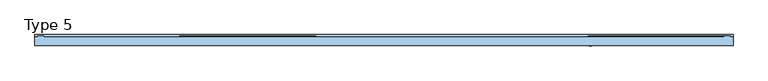
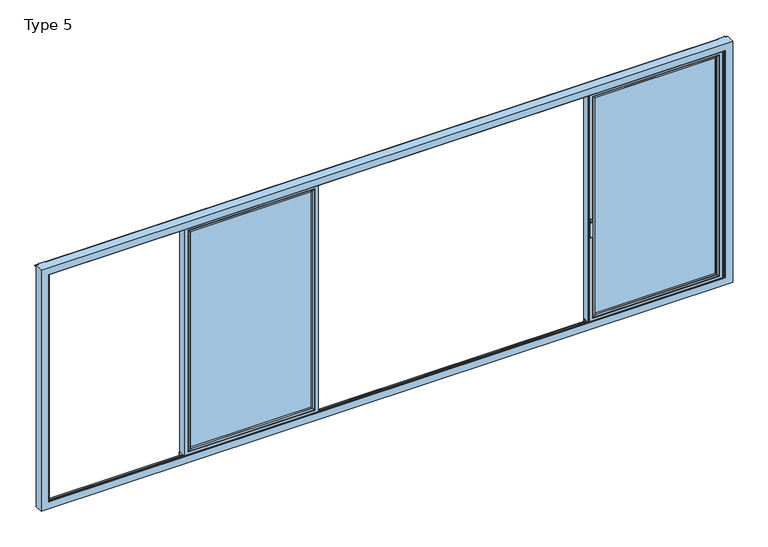
"""IFC4 building model written with IfcOpenShell, lengths in millimetres: window geometry, Type 5."""

from ifc_helpers import new_model, si_unit, point, frame, frame_2d, origin, place, context, project, spatial, polyline, circle_curve, ellipse_curve, trimmed, segment, composite_curve, outline, extrude, source, transform, mapped, element, save
from ifc_brep_helpers import plane_surface, cylinder_surface, extruded_surface, advanced_brep


def type_5_70b4fe9f(model_context):
    return source(origin(), model_context, "Body", "SolidModel", [
        advanced_brep(
        [(-637.1999604, -60.0, 2324.0), (-637.1999604, -60.0, 66.0), (-637.1999604, 20.0, 66.0), (-637.1999604, 20.0, 2324.0), (-1887.5999604, -60.0, 66.0), (-1887.5999604, 20.0, 66.0), (-1887.5999604, 20.0, 2324.0), (-1842.1003311, 20.0, 111.4996293), (-682.6995897, 20.0, 111.4996293), (-682.6995897, 20.0, 2278.5003707), (-1842.1003311, 20.0, 2278.5003707), (-1887.5999604, -60.0, 2324.0), (-669.1999604, -60.0, 98.0), (-1855.5999604, -60.0, 98.0), (-1855.5999604, -60.0, 2292.0), (-669.1999604, -60.0, 2292.0), (-669.1999604, 3.9999997, 2292.0), (-669.1999604, 3.9999997, 98.0), (-1855.5999604, 3.9999997, 98.0), (-1855.5999604, 3.9999997, 2292.0), (-687.1999723, 3.9999997, 116.000012), (-1837.5999484, 3.9999997, 116.000012), (-1837.5999484, 3.9999997, 2273.999988), (-687.1999723, 3.9999997, 2273.999988), (-687.1999723, 15.4995565, 2273.999988), (-687.1999723, 15.4995565, 116.000012), (-1837.5999484, 15.4995565, 116.000012), (-1837.5999484, 15.4995565, 2273.999988)],
        [
            (0, 1),
            (1, 2),
            (2, 3),
            (3, 0),
            (1, 4),
            (4, 5),
            (5, 2),
            (5, 6),
            (6, 3),
            (7, 8),
            (8, 9),
            (9, 10),
            (10, 7),
            (4, 11),
            (11, 6),
            (0, 11),
            (12, 13),
            (13, 14),
            (14, 15),
            (15, 12),
            (16, 17),
            (17, 12),
            (15, 16),
            (17, 18),
            (18, 13),
            (18, 19),
            (19, 14),
            (16, 19),
            (20, 21),
            (21, 22),
            (22, 23),
            (23, 20),
            (24, 25),
            (25, 20),
            (23, 24),
            (25, 26),
            (26, 21),
            (26, 27),
            (27, 22),
            (7, 26, ellipse_curve(frame((-1842.1003311, 15.4995565, 111.4996293), z_axis=(0.7071067811865475, 0.0, -0.7071067811865475), x_axis=(0.7071067811865476, 0.0, 0.7071067811865474)), 6.3645023, 4.5003827)),
            (25, 8, ellipse_curve(frame((-682.6995897, 15.4995565, 111.4996293), z_axis=(-0.7071067811865475, 0.0, -0.7071067811865475), x_axis=(0.7071067811865476, 0.0, -0.7071067811865474)), 6.3645023, 4.5003827)),
            (24, 9, ellipse_curve(frame((-682.6995897, 15.4995565, 2278.5003707), z_axis=(0.7071067811865475, 0.0, -0.7071067811865475), x_axis=(0.7071067811865474, 0.0, 0.7071067811865476)), 6.3645023, 4.5003827)),
            (10, 27, ellipse_curve(frame((-1842.1003311, 15.4995565, 2278.5003707), z_axis=(-0.7071067811865475, 0.0, -0.7071067811865475), x_axis=(0.7071067811865474, 0.0, -0.7071067811865476)), 6.3645023, 4.5003827)),
            (27, 24),
        ],
        [
            plane_surface(frame((-637.1999604, 20.0, 2324.0), z_axis=(1.0, 0.0, 0.0), x_axis=(0.0, 0.0, -1.0))),
            plane_surface(frame((-637.1999604, 20.0, 66.0), z_axis=(0.0, 0.0, -1.0), x_axis=(-1.0, 0.0, 0.0))),
            plane_surface(frame((-682.6995897, 20.0, 2278.5003707), z_axis=(0.0, 1.0, 0.0), x_axis=(0.0, 0.0, -1.0))),
            plane_surface(frame((-1887.5999604, 20.0, 66.0), z_axis=(-1.0, 0.0, 0.0), x_axis=(0.0, 0.0, 1.0))),
            plane_surface(frame((-637.1999604, -60.0, 2324.0), z_axis=(0.0, -1.0, 0.0), x_axis=(0.0, 0.0, -1.0))),
            plane_surface(frame((-669.1999604, -60.0, 2292.0), z_axis=(-1.0, 0.0, 0.0), x_axis=(0.0, 0.0, -1.0))),
            plane_surface(frame((-669.1999604, -60.0, 98.0), z_axis=(0.0, 0.0, 1.0), x_axis=(-1.0, 0.0, 0.0))),
            plane_surface(frame((-1855.5999604, -60.0, 98.0), z_axis=(1.0, 0.0, 0.0), x_axis=(0.0, 0.0, 1.0))),
            plane_surface(frame((-669.1999604, 3.9999997, 2292.0), z_axis=(0.0, -1.0, 0.0), x_axis=(0.0, 0.0, -1.0))),
            plane_surface(frame((-687.1999723, 3.9999997, 2273.999988), z_axis=(-1.0, 0.0, 0.0), x_axis=(0.0, 0.0, -1.0))),
            plane_surface(frame((-687.1999723, 3.9999997, 116.000012), z_axis=(0.0, 0.0, 1.0), x_axis=(-1.0, 0.0, 0.0))),
            plane_surface(frame((-1837.5999484, 3.9999997, 116.000012), z_axis=(1.0, 0.0, 0.0), x_axis=(0.0, 0.0, 1.0))),
            cylinder_surface(frame((-631.1999604, 15.4995565, 111.4996293), z_axis=(1.0, 0.0, 0.0), x_axis=(0.0, -1.0, 0.0)), 4.5003827),
            cylinder_surface(frame((-682.6995897, 15.4995565, 2330.0), z_axis=(0.0, 0.0, 1.0), x_axis=(0.0, -1.0, 0.0)), 4.5003827),
            cylinder_surface(frame((-1842.1003311, 15.4995565, 60.0), z_axis=(0.0, 0.0, -1.0), x_axis=(0.0, -1.0, 0.0)), 4.5003827),
            plane_surface(frame((-1887.5999604, 20.0, 2324.0), z_axis=(0.0, 0.0, 1.0), x_axis=(1.0, 0.0, 0.0))),
            plane_surface(frame((-1855.5999604, -60.0, 2292.0), z_axis=(0.0, 0.0, -1.0), x_axis=(1.0, 0.0, 0.0))),
            plane_surface(frame((-1837.5999484, 3.9999997, 2273.999988), z_axis=(0.0, 0.0, -1.0), x_axis=(1.0, 0.0, 0.0))),
            cylinder_surface(frame((-1893.5999604, 15.4995565, 2278.5003707), z_axis=(-1.0, 0.0, 0.0), x_axis=(0.0, -1.0, 0.0)), 4.5003827),
        ],
        [
            (0, [[1, 2, 3, 4]]),
            (1, [[5, 6, 7, -2]]),
            (2, [[-7, 8, 9, -3], [10, 11, 12, 13]]),
            (3, [[14, 15, -8, -6]]),
            (4, [[-5, -1, 16, -14], [17, 18, 19, 20]]),
            (5, [[21, 22, -20, 23]]),
            (6, [[24, 25, -17, -22]]),
            (7, [[26, 27, -18, -25]]),
            (8, [[-24, -21, 28, -26], [29, 30, 31, 32]]),
            (9, [[33, 34, -32, 35]]),
            (10, [[36, 37, -29, -34]]),
            (11, [[38, 39, -30, -37]]),
            (12, [[-10, 40, -36, 41]]),
            (13, [[-11, -41, -33, 42]]),
            (14, [[-13, 43, -38, -40]]),
            (15, [[-16, -4, -9, -15]]),
            (16, [[-28, -23, -19, -27]]),
            (17, [[44, -35, -31, -39]]),
            (18, [[-12, -42, -44, -43]]),
        ],
    ),
        extrude(outline(polyline([(-669.2002775, 3.9999997), (-669.2002775, -34.0000003), (-1855.5996432, -34.0000003), (-1855.5996432, 3.9999997), (-669.2002775, 3.9999997)])), frame((0.0, 0.0, 98.0003172), z_axis=(0.0, 0.0, 1.0), x_axis=(1.0, 0.0, 0.0)), (0.0, 0.0, 1.0), 2193.9993657),
        advanced_brep(
        [(-1833.6000705, -54.5552044, 2270.0001101), (-1833.6000705, -54.5552044, 119.9998899), (-1833.6000705, -34.0000003, 119.9998899), (-1833.6000705, -34.0000003, 2270.0001101), (-1855.5996432, -34.0000003, 2291.9996828), (-669.2002775, -34.0000003, 2291.9996828), (-669.2002775, -34.0000003, 98.0003172), (-1855.5996432, -34.0000003, 98.0003172), (-691.1998503, -34.0000003, 2270.0001101), (-691.1998503, -34.0000003, 119.9998899), (-691.1998503, -54.5552044, 119.9998899), (-1834.3096139, -55.8045072, 2270.7096535), (-1834.3096139, -55.8045072, 119.2903465), (-690.4903069, -55.8045072, 119.2903465), (-1849.5997043, -60.0, 2285.9997439), (-1849.5997043, -60.0, 104.0002561), (-675.2002165, -60.0, 104.0002561), (-669.2002775, -60.0, 2291.9996828), (-1855.5996432, -60.0, 2291.9996828), (-1855.5996432, -60.0, 98.0003172), (-669.2002775, -60.0, 98.0003172), (-675.2002165, -60.0, 2285.9997439), (-691.1998503, -54.5552044, 2270.0001101), (-690.4903069, -55.8045072, 2270.7096535)],
        [
            (0, 1),
            (1, 2),
            (2, 3),
            (3, 0),
            (4, 5),
            (5, 6),
            (6, 7),
            (7, 4),
            (8, 3),
            (2, 9),
            (9, 8),
            (1, 10),
            (10, 9),
            (11, 12),
            (12, 1, ellipse_curve(frame((-1835.0546745, -54.5552044, 118.5452859), z_axis=(-0.7071067811865475, 0.0, 0.7071067811865475), x_axis=(0.7071067811865474, 0.0, 0.7071067811865476)), 2.0571207, 1.454604)),
            (0, 11, ellipse_curve(frame((-1835.0546745, -54.5552044, 2271.4547141), z_axis=(-0.7071067811865475, 0.0, -0.7071067811865475), x_axis=(-0.7071067811865474, 0.0, 0.7071067811865476)), 2.0571207, 1.454604)),
            (12, 13),
            (13, 10, ellipse_curve(frame((-689.7452463, -54.5552044, 118.5452859), z_axis=(-0.7071067811865475, 0.0, -0.7071067811865475), x_axis=(-0.7071067811865476, 0.0, 0.7071067811865474)), 2.0571207, 1.454604)),
            (14, 15),
            (15, 12, ellipse_curve(frame((-1849.5357687, -30.2735922, 104.0641917), z_axis=(-0.7071067811865475, 0.0, 0.7071067811865475), x_axis=(0.7071067811865474, 0.0, 0.7071067811865476)), 42.0395863, 29.7264765)),
            (11, 14, ellipse_curve(frame((-1849.5357687, -30.2735922, 2285.9358083), z_axis=(-0.7071067811865475, 0.0, -0.7071067811865475), x_axis=(-0.7071067811865474, 0.0, 0.7071067811865476)), 42.0395863, 29.7264765)),
            (15, 16),
            (16, 13, ellipse_curve(frame((-675.2641521, -30.2735922, 104.0641917), z_axis=(-0.7071067811865475, 0.0, -0.7071067811865475), x_axis=(-0.7071067811865476, 0.0, 0.7071067811865474)), 42.0395863, 29.7264765)),
            (17, 18),
            (18, 19),
            (19, 20),
            (20, 17),
            (14, 21),
            (21, 16),
            (7, 19),
            (18, 4),
            (6, 20),
            (10, 22),
            (22, 8),
            (13, 23),
            (23, 22, ellipse_curve(frame((-689.7452463, -54.5552044, 2271.4547141), z_axis=(0.7071067811865475, 0.0, -0.7071067811865475), x_axis=(-0.7071067811865474, 0.0, -0.7071067811865476)), 2.0571207, 1.454604)),
            (21, 23, ellipse_curve(frame((-675.2641521, -30.2735922, 2285.9358083), z_axis=(0.7071067811865475, 0.0, -0.7071067811865475), x_axis=(-0.7071067811865474, 0.0, -0.7071067811865476)), 42.0395863, 29.7264765)),
            (5, 17),
            (22, 0),
            (23, 11),
        ],
        [
            plane_surface(frame((-1833.6000705, -34.0000003, 2270.0001101), z_axis=(1.0, 0.0, 0.0), x_axis=(0.0, 0.0, -1.0))),
            plane_surface(frame((-669.2002775, -34.0000003, 98.0003172), z_axis=(0.0, 1.0, 0.0), x_axis=(0.0, 0.0, 1.0))),
            plane_surface(frame((-1833.6000705, -34.0000003, 119.9998899), z_axis=(0.0, 0.0, 1.0), x_axis=(1.0, 0.0, 0.0))),
            cylinder_surface(frame((-1835.0546745, -54.5552044, 2273.999988), z_axis=(0.0, 0.0, 1.0), x_axis=(-1.0, 0.0, 0.0)), 1.454604),
            cylinder_surface(frame((-1837.5999484, -54.5552044, 118.5452859), z_axis=(-1.0, 0.0, 0.0), x_axis=(0.0, 0.0, -1.0)), 1.454604),
            cylinder_surface(frame((-1849.5357687, -30.2735922, 2273.999988), z_axis=(0.0, 0.0, 1.0), x_axis=(-1.0, 0.0, 0.0)), 29.7264765),
            cylinder_surface(frame((-1837.5999484, -30.2735922, 104.0641917), z_axis=(-1.0, 0.0, 0.0), x_axis=(0.0, 0.0, -1.0)), 29.7264765),
            plane_surface(frame((-675.2002165, -60.0, 104.0002561), z_axis=(0.0, -1.0, 0.0), x_axis=(0.0, 0.0, 1.0))),
            plane_surface(frame((-1855.5996432, -60.0, 2291.9996828), z_axis=(-1.0, 0.0, 0.0), x_axis=(0.0, 0.0, -1.0))),
            plane_surface(frame((-1855.5996432, -60.0, 98.0003172), z_axis=(0.0, 0.0, -1.0), x_axis=(1.0, 0.0, 0.0))),
            plane_surface(frame((-691.1998503, -34.0000003, 119.9998899), z_axis=(-1.0, 0.0, 0.0), x_axis=(0.0, 0.0, 1.0))),
            cylinder_surface(frame((-689.7452463, -54.5552044, 116.000012), z_axis=(0.0, 0.0, -1.0), x_axis=(1.0, 0.0, 0.0)), 1.454604),
            cylinder_surface(frame((-675.2641521, -30.2735922, 116.000012), z_axis=(0.0, 0.0, -1.0), x_axis=(1.0, 0.0, 0.0)), 29.7264765),
            plane_surface(frame((-669.2002775, -60.0, 98.0003172), z_axis=(1.0, 0.0, 0.0), x_axis=(0.0, 0.0, 1.0))),
            plane_surface(frame((-691.1998503, -34.0000003, 2270.0001101), z_axis=(0.0, 0.0, -1.0), x_axis=(-1.0, 0.0, 0.0))),
            cylinder_surface(frame((-687.1999723, -54.5552044, 2271.4547141), z_axis=(1.0, 0.0, 0.0), x_axis=(0.0, 0.0, 1.0)), 1.454604),
            cylinder_surface(frame((-687.1999723, -30.2735922, 2285.9358083), z_axis=(1.0, 0.0, 0.0), x_axis=(0.0, 0.0, 1.0)), 29.7264765),
            plane_surface(frame((-669.2002775, -60.0, 2291.9996828), z_axis=(0.0, 0.0, 1.0), x_axis=(-1.0, 0.0, 0.0))),
        ],
        [
            (0, [[1, 2, 3, 4]]),
            (1, [[5, 6, 7, 8], [9, -3, 10, 11]]),
            (2, [[12, 13, -10, -2]]),
            (3, [[14, 15, -1, 16]]),
            (4, [[17, 18, -12, -15]]),
            (5, [[19, 20, -14, 21]]),
            (6, [[22, 23, -17, -20]]),
            (7, [[24, 25, 26, 27], [28, 29, -22, -19]]),
            (8, [[-8, 30, -25, 31]]),
            (9, [[-7, 32, -26, -30]]),
            (10, [[33, 34, -11, -13]]),
            (11, [[35, 36, -33, -18]]),
            (12, [[-29, 37, -35, -23]]),
            (13, [[-6, 38, -27, -32]]),
            (14, [[39, -4, -9, -34]]),
            (15, [[40, -16, -39, -36]]),
            (16, [[-28, -21, -40, -37]]),
            (17, [[-5, -31, -24, -38]]),
        ],
    ),
        extrude(outline(composite_curve([segment(polyline([(20.0, 2362.5), (20.0, 2324.0), (10.0, 2324.0), (10.0, 2365.0), (17.5, 2365.0)]), True, "CONTINUOUS"), segment(trimmed(circle_curve(frame_2d((17.5, 2362.5)), 2.5), [point((17.5, 2365.0))], [point((20.0, 2362.5))], False, "CARTESIAN"), True, "CONTINUOUS")], self_intersect=False)), frame((-1893.5999604, 0.0, 0.0), z_axis=(1.0, 0.0, 0.0), x_axis=(0.0, 1.0, 0.0)), (0.0, 0.0, 1.0), 1262.4),
        extrude(outline(composite_curve([segment(trimmed(circle_curve(frame_2d((17.5, 27.5)), 2.5), [point((20.0, 27.5))], [point((17.5, 25.0))], False, "CARTESIAN"), True, "CONTINUOUS"), segment(polyline([(17.5, 25.0), (10.0, 25.0), (10.0, 66.0), (20.0, 66.0), (20.0, 27.5)]), True, "CONTINUOUS")], self_intersect=False)), frame((-1893.5999604, 0.0, 0.0), z_axis=(1.0, 0.0, 0.0), x_axis=(0.0, 1.0, 0.0)), (0.0, 0.0, 1.0), 1262.4),
        advanced_brep(
        [(1927.5886308, -63.5, 1050.0), (1903.6113692, -63.5, 1050.0), (1927.5886308, -66.8965533, 1050.0), (1903.6113692, -66.8965533, 1050.0), (1927.5886308, -74.5, 1050.0), (1903.6113692, -74.5, 1050.0), (1903.6113692, -74.5, 918.6867153), (1927.5886308, -74.5, 918.6867153), (1927.5886308, -66.8965533, 918.6867153), (1903.6113692, -66.8965533, 918.6867153)],
        [
            (0, 1, circle_curve(frame((1915.6, -63.5, 1050.0), z_axis=(0.0, 1.0, 0.0), x_axis=(-1.0, 0.0, 0.0)), 11.9886308)),
            (1, 0, circle_curve(frame((1915.6, -63.5, 1050.0), z_axis=(0.0, 1.0, 0.0), x_axis=(-1.0, 0.0, 0.0)), 11.9886308)),
            (0, 2),
            (2, 3, circle_curve(frame((1915.6, -66.8965533, 1050.0), z_axis=(0.0, 1.0, 0.0), x_axis=(-1.0, 0.0, 0.0)), 11.9886308)),
            (3, 1),
            (3, 2, circle_curve(frame((1915.6, -66.8965533, 1050.0), z_axis=(0.0, 1.0, 0.0), x_axis=(-1.0, 0.0, 0.0)), 11.9886308)),
            (4, 5, circle_curve(frame((1915.6, -74.5, 1050.0), z_axis=(0.0, -1.0, 0.0), x_axis=(-1.0, 0.0, 0.0)), 11.9886308)),
            (5, 6),
            (6, 7, ellipse_curve(frame((1915.6, -74.5, 918.6867153), z_axis=(0.0, -1.0, 0.0), x_axis=(1.0, 0.0, 0.0)), 11.9886308, 7.9050795)),
            (7, 4),
            (2, 8),
            (8, 9, ellipse_curve(frame((1915.6, -66.8965533, 918.6867153), z_axis=(0.0, 1.0, 0.0), x_axis=(1.0, 0.0, 0.0)), 11.9886308, 7.9050795)),
            (9, 3),
            (7, 8),
            (2, 4),
            (6, 9),
            (5, 3),
        ],
        [
            plane_surface(frame((1903.6113692, -63.5, 1050.0), z_axis=(0.0, 1.0, 0.0), x_axis=(0.0, 0.0, -1.0))),
            cylinder_surface(frame((1915.6, -63.5, 1050.0), z_axis=(0.0, -1.0, 0.0), x_axis=(-1.0, 0.0, 0.0)), 11.9886308),
            plane_surface(frame((1927.5886308, -74.5, 928.3382074), z_axis=(0.0, -1.0, 0.0), x_axis=(0.0, 0.0, -1.0))),
            plane_surface(frame((1927.5886308, -66.8965533, 928.3382074), z_axis=(0.0, 1.0, 0.0), x_axis=(0.0, 0.0, 1.0))),
            plane_surface(frame((1927.5886308, -74.5, 1050.0), z_axis=(1.0, 0.0, 0.0), x_axis=(0.0, 1.0, 0.0))),
            extruded_surface(trimmed(ellipse_curve(frame((1915.6, -66.8965533, 918.6867153), z_axis=(0.0, 1.0, 0.0), x_axis=(1.0, 0.0, 0.0)), 11.9886308, 7.9050795), [point((1927.5886308, -66.8965533, 918.6867153))], [point((1903.6113692, -66.8965533, 918.6867153))], True, "CARTESIAN"), (0.0, 7.603446699999992, 0.0), 7.603446699999992),
            plane_surface(frame((1903.6113692, -74.5, 918.6867153), z_axis=(-1.0, 0.0, 0.0), x_axis=(0.0, 1.0, 0.0))),
            cylinder_surface(frame((1915.6, -66.8965533, 1050.0), z_axis=(0.0, -1.0, 0.0), x_axis=(-1.0, 0.0, 0.0)), 11.9886308),
        ],
        [
            (0, [[1, 2]]),
            (1, [[3, 4, 5, -1]]),
            (1, [[-5, 6, -3, -2]]),
            (2, [[7, 8, 9, 10]]),
            (3, [[-4, 11, 12, 13]]),
            (4, [[14, -11, 15, -10]]),
            (5, [[16, -12, -14, -9]]),
            (6, [[17, -13, -16, -8]]),
            (7, [[-15, -6, -17, -7]]),
        ],
    ),
        extrude(outline(composite_curve([segment(trimmed(circle_curve(frame_2d((1068.75, 1915.6)), 14.0), [point((1068.75, 1929.6))], [point((1068.75, 1901.6))], False, "CARTESIAN"), True, "CONTINUOUS"), segment(polyline([(1068.75, 1901.6), (1031.25, 1901.6)]), True, "CONTINUOUS"), segment(trimmed(circle_curve(frame_2d((1031.25, 1915.6)), 14.0), [point((1031.25, 1901.6))], [point((1031.25, 1929.6))], False, "CARTESIAN"), True, "CONTINUOUS"), segment(polyline([(1031.25, 1929.6), (1068.75, 1929.6)]), True, "CONTINUOUS")], self_intersect=False)), frame((0.0, -63.5, 0.0), z_axis=(0.0, 1.0, 0.0), x_axis=(0.0, 0.0, 1.0)), (0.0, 0.0, 1.0), 3.5),
        extrude(outline(polyline([(3156.0, 20.0), (3156.0, -60.0), (3150.0, -60.0), (3150.0, 20.0), (3156.0, 20.0)])), frame((0.0, 0.0, 66.0), z_axis=(0.0, 0.0, 1.0), x_axis=(1.0, 0.0, 0.0)), (0.0, 0.0, 1.0), 2258.0),
        extrude(outline(polyline([(1893.6, 20.0), (1899.6, 20.0), (1899.6, -60.0), (1893.6, -60.0), (1893.6, 20.0)])), frame((0.0, 0.0, 66.0), z_axis=(0.0, 0.0, 1.0), x_axis=(1.0, 0.0, 0.0)), (0.0, 0.0, 1.0), 2258.0),
        advanced_brep(
        [(3150.0, -60.0, 2324.0), (3150.0, -60.0, 66.0), (3150.0, 20.0, 66.0), (3150.0, 20.0, 2324.0), (1899.6, -60.0, 66.0), (1899.6, 20.0, 66.0), (1899.6, 20.0, 2324.0), (1945.0996293, 20.0, 111.4996293), (3104.5003707, 20.0, 111.4996293), (3104.5003707, 20.0, 2278.5003707), (1945.0996293, 20.0, 2278.5003707), (1899.6, -60.0, 2324.0), (3118.0, -60.0, 98.0), (1931.6, -60.0, 98.0), (1931.6, -60.0, 2292.0), (3118.0, -60.0, 2292.0), (3118.0, 3.9999997, 2292.0), (3118.0, 3.9999997, 98.0), (1931.6, 3.9999997, 98.0), (1931.6, 3.9999997, 2292.0), (3099.999988, 3.9999997, 116.000012), (1949.600012, 3.9999997, 116.000012), (1949.600012, 3.9999997, 2273.999988), (3099.999988, 3.9999997, 2273.999988), (3099.999988, 15.4995565, 2273.999988), (3099.999988, 15.4995565, 116.000012), (1949.600012, 15.4995565, 116.000012), (1949.600012, 15.4995565, 2273.999988)],
        [
            (0, 1),
            (1, 2),
            (2, 3),
            (3, 0),
            (1, 4),
            (4, 5),
            (5, 2),
            (5, 6),
            (6, 3),
            (7, 8),
            (8, 9),
            (9, 10),
            (10, 7),
            (4, 11),
            (11, 6),
            (0, 11),
            (12, 13),
            (13, 14),
            (14, 15),
            (15, 12),
            (16, 17),
            (17, 12),
            (15, 16),
            (17, 18),
            (18, 13),
            (18, 19),
            (19, 14),
            (16, 19),
            (20, 21),
            (21, 22),
            (22, 23),
            (23, 20),
            (24, 25),
            (25, 20),
            (23, 24),
            (25, 26),
            (26, 21),
            (26, 27),
            (27, 22),
            (7, 26, ellipse_curve(frame((1945.0996293, 15.4995565, 111.4996293), z_axis=(0.7071067811865475, 0.0, -0.7071067811865475), x_axis=(0.7071067811865476, 0.0, 0.7071067811865474)), 6.3645023, 4.5003827)),
            (25, 8, ellipse_curve(frame((3104.5003707, 15.4995565, 111.4996293), z_axis=(-0.7071067811865475, 0.0, -0.7071067811865475), x_axis=(0.7071067811865476, 0.0, -0.7071067811865474)), 6.3645023, 4.5003827)),
            (24, 9, ellipse_curve(frame((3104.5003707, 15.4995565, 2278.5003707), z_axis=(0.7071067811865475, 0.0, -0.7071067811865475), x_axis=(0.7071067811865474, 0.0, 0.7071067811865476)), 6.3645023, 4.5003827)),
            (10, 27, ellipse_curve(frame((1945.0996293, 15.4995565, 2278.5003707), z_axis=(-0.7071067811865475, 0.0, -0.7071067811865475), x_axis=(0.7071067811865474, 0.0, -0.7071067811865476)), 6.3645023, 4.5003827)),
            (27, 24),
        ],
        [
            plane_surface(frame((3150.0, 20.0, 2324.0), z_axis=(1.0, 0.0, 0.0), x_axis=(0.0, 0.0, -1.0))),
            plane_surface(frame((3150.0, 20.0, 66.0), z_axis=(0.0, 0.0, -1.0), x_axis=(-1.0, 0.0, 0.0))),
            plane_surface(frame((3104.5003707, 20.0, 2278.5003707), z_axis=(0.0, 1.0, 0.0), x_axis=(0.0, 0.0, -1.0))),
            plane_surface(frame((1899.6, 20.0, 66.0), z_axis=(-1.0, 0.0, 0.0), x_axis=(0.0, 0.0, 1.0))),
            plane_surface(frame((3150.0, -60.0, 2324.0), z_axis=(0.0, -1.0, 0.0), x_axis=(0.0, 0.0, -1.0))),
            plane_surface(frame((3118.0, -60.0, 2292.0), z_axis=(-1.0, 0.0, 0.0), x_axis=(0.0, 0.0, -1.0))),
            plane_surface(frame((3118.0, -60.0, 98.0), z_axis=(0.0, 0.0, 1.0), x_axis=(-1.0, 0.0, 0.0))),
            plane_surface(frame((1931.6, -60.0, 98.0), z_axis=(1.0, 0.0, 0.0), x_axis=(0.0, 0.0, 1.0))),
            plane_surface(frame((3118.0, 3.9999997, 2292.0), z_axis=(0.0, -1.0, 0.0), x_axis=(0.0, 0.0, -1.0))),
            plane_surface(frame((3099.999988, 3.9999997, 2273.999988), z_axis=(-1.0, 0.0, 0.0), x_axis=(0.0, 0.0, -1.0))),
            plane_surface(frame((3099.999988, 3.9999997, 116.000012), z_axis=(0.0, 0.0, 1.0), x_axis=(-1.0, 0.0, 0.0))),
            plane_surface(frame((1949.600012, 3.9999997, 116.000012), z_axis=(1.0, 0.0, 0.0), x_axis=(0.0, 0.0, 1.0))),
            cylinder_surface(frame((3156.0, 15.4995565, 111.4996293), z_axis=(1.0, 0.0, 0.0), x_axis=(0.0, -1.0, 0.0)), 4.5003827),
            cylinder_surface(frame((3104.5003707, 15.4995565, 2330.0), z_axis=(0.0, 0.0, 1.0), x_axis=(0.0, -1.0, 0.0)), 4.5003827),
            cylinder_surface(frame((1945.0996293, 15.4995565, 60.0), z_axis=(0.0, 0.0, -1.0), x_axis=(0.0, -1.0, 0.0)), 4.5003827),
            plane_surface(frame((1899.6, 20.0, 2324.0), z_axis=(0.0, 0.0, 1.0), x_axis=(1.0, 0.0, 0.0))),
            plane_surface(frame((1931.6, -60.0, 2292.0), z_axis=(0.0, 0.0, -1.0), x_axis=(1.0, 0.0, 0.0))),
            plane_surface(frame((1949.600012, 3.9999997, 2273.999988), z_axis=(0.0, 0.0, -1.0), x_axis=(1.0, 0.0, 0.0))),
            cylinder_surface(frame((1893.6, 15.4995565, 2278.5003707), z_axis=(-1.0, 0.0, 0.0), x_axis=(0.0, -1.0, 0.0)), 4.5003827),
        ],
        [
            (0, [[1, 2, 3, 4]]),
            (1, [[5, 6, 7, -2]]),
            (2, [[-7, 8, 9, -3], [10, 11, 12, 13]]),
            (3, [[14, 15, -8, -6]]),
            (4, [[-5, -1, 16, -14], [17, 18, 19, 20]]),
            (5, [[21, 22, -20, 23]]),
            (6, [[24, 25, -17, -22]]),
            (7, [[26, 27, -18, -25]]),
            (8, [[-24, -21, 28, -26], [29, 30, 31, 32]]),
            (9, [[33, 34, -32, 35]]),
            (10, [[36, 37, -29, -34]]),
            (11, [[38, 39, -30, -37]]),
            (12, [[-10, 40, -36, 41]]),
            (13, [[-11, -41, -33, 42]]),
            (14, [[-13, 43, -38, -40]]),
            (15, [[-16, -4, -9, -15]]),
            (16, [[-28, -23, -19, -27]]),
            (17, [[44, -35, -31, -39]]),
            (18, [[-12, -42, -44, -43]]),
        ],
    ),
        extrude(outline(polyline([(3117.9996828, 3.9999997), (3117.9996828, -34.0000003), (1931.6003172, -34.0000003), (1931.6003172, 3.9999997), (3117.9996828, 3.9999997)])), frame((0.0, 0.0, 98.0003172), z_axis=(0.0, 0.0, 1.0), x_axis=(1.0, 0.0, 0.0)), (0.0, 0.0, 1.0), 2193.9993657),
        advanced_brep(
        [(1953.5998899, -54.5552044, 2270.0001101), (1953.5998899, -54.5552044, 119.9998899), (1953.5998899, -34.0000003, 119.9998899), (1953.5998899, -34.0000003, 2270.0001101), (1931.6003172, -34.0000003, 2291.9996828), (3117.9996828, -34.0000003, 2291.9996828), (3117.9996828, -34.0000003, 98.0003172), (1931.6003172, -34.0000003, 98.0003172), (3096.0001101, -34.0000003, 2270.0001101), (3096.0001101, -34.0000003, 119.9998899), (3096.0001101, -54.5552044, 119.9998899), (1952.8903465, -55.8045072, 2270.7096535), (1952.8903465, -55.8045072, 119.2903465), (3096.7096535, -55.8045072, 119.2903465), (1937.6002561, -60.0, 2285.9997439), (1937.6002561, -60.0, 104.0002561), (3111.9997439, -60.0, 104.0002561), (3117.9996828, -60.0, 2291.9996828), (1931.6003172, -60.0, 2291.9996828), (1931.6003172, -60.0, 98.0003172), (3117.9996828, -60.0, 98.0003172), (3111.9997439, -60.0, 2285.9997439), (3096.0001101, -54.5552044, 2270.0001101), (3096.7096535, -55.8045072, 2270.7096535)],
        [
            (0, 1),
            (1, 2),
            (2, 3),
            (3, 0),
            (4, 5),
            (5, 6),
            (6, 7),
            (7, 4),
            (8, 3),
            (2, 9),
            (9, 8),
            (1, 10),
            (10, 9),
            (11, 12),
            (12, 1, ellipse_curve(frame((1952.1452859, -54.5552044, 118.5452859), z_axis=(-0.7071067811865475, 0.0, 0.7071067811865475), x_axis=(0.7071067811865474, 0.0, 0.7071067811865476)), 2.0571207, 1.454604)),
            (0, 11, ellipse_curve(frame((1952.1452859, -54.5552044, 2271.4547141), z_axis=(-0.7071067811865475, 0.0, -0.7071067811865475), x_axis=(-0.7071067811865474, 0.0, 0.7071067811865476)), 2.0571207, 1.454604)),
            (12, 13),
            (13, 10, ellipse_curve(frame((3097.4547141, -54.5552044, 118.5452859), z_axis=(-0.7071067811865475, 0.0, -0.7071067811865475), x_axis=(-0.7071067811865476, 0.0, 0.7071067811865474)), 2.0571207, 1.454604)),
            (14, 15),
            (15, 12, ellipse_curve(frame((1937.6641917, -30.2735922, 104.0641917), z_axis=(-0.7071067811865475, 0.0, 0.7071067811865475), x_axis=(0.7071067811865474, 0.0, 0.7071067811865476)), 42.0395863, 29.7264765)),
            (11, 14, ellipse_curve(frame((1937.6641917, -30.2735922, 2285.9358083), z_axis=(-0.7071067811865475, 0.0, -0.7071067811865475), x_axis=(-0.7071067811865474, 0.0, 0.7071067811865476)), 42.0395863, 29.7264765)),
            (15, 16),
            (16, 13, ellipse_curve(frame((3111.9358083, -30.2735922, 104.0641917), z_axis=(-0.7071067811865475, 0.0, -0.7071067811865475), x_axis=(-0.7071067811865476, 0.0, 0.7071067811865474)), 42.0395863, 29.7264765)),
            (17, 18),
            (18, 19),
            (19, 20),
            (20, 17),
            (14, 21),
            (21, 16),
            (7, 19),
            (18, 4),
            (6, 20),
            (10, 22),
            (22, 8),
            (13, 23),
            (23, 22, ellipse_curve(frame((3097.4547141, -54.5552044, 2271.4547141), z_axis=(0.7071067811865475, 0.0, -0.7071067811865475), x_axis=(-0.7071067811865474, 0.0, -0.7071067811865476)), 2.0571207, 1.454604)),
            (21, 23, ellipse_curve(frame((3111.9358083, -30.2735922, 2285.9358083), z_axis=(0.7071067811865475, 0.0, -0.7071067811865475), x_axis=(-0.7071067811865474, 0.0, -0.7071067811865476)), 42.0395863, 29.7264765)),
            (5, 17),
            (22, 0),
            (23, 11),
        ],
        [
            plane_surface(frame((1953.5998899, -34.0000003, 2270.0001101), z_axis=(1.0, 0.0, 0.0), x_axis=(0.0, 0.0, -1.0))),
            plane_surface(frame((3117.9996828, -34.0000003, 98.0003172), z_axis=(0.0, 1.0, 0.0), x_axis=(0.0, 0.0, 1.0))),
            plane_surface(frame((1953.5998899, -34.0000003, 119.9998899), z_axis=(0.0, 0.0, 1.0), x_axis=(1.0, 0.0, 0.0))),
            cylinder_surface(frame((1952.1452859, -54.5552044, 2273.999988), z_axis=(0.0, 0.0, 1.0), x_axis=(-1.0, 0.0, 0.0)), 1.454604),
            cylinder_surface(frame((1949.600012, -54.5552044, 118.5452859), z_axis=(-1.0, 0.0, 0.0), x_axis=(0.0, 0.0, -1.0)), 1.454604),
            cylinder_surface(frame((1937.6641917, -30.2735922, 2273.999988), z_axis=(0.0, 0.0, 1.0), x_axis=(-1.0, 0.0, 0.0)), 29.7264765),
            cylinder_surface(frame((1949.600012, -30.2735922, 104.0641917), z_axis=(-1.0, 0.0, 0.0), x_axis=(0.0, 0.0, -1.0)), 29.7264765),
            plane_surface(frame((3111.9997439, -60.0, 104.0002561), z_axis=(0.0, -1.0, 0.0), x_axis=(0.0, 0.0, 1.0))),
            plane_surface(frame((1931.6003172, -60.0, 2291.9996828), z_axis=(-1.0, 0.0, 0.0), x_axis=(0.0, 0.0, -1.0))),
            plane_surface(frame((1931.6003172, -60.0, 98.0003172), z_axis=(0.0, 0.0, -1.0), x_axis=(1.0, 0.0, 0.0))),
            plane_surface(frame((3096.0001101, -34.0000003, 119.9998899), z_axis=(-1.0, 0.0, 0.0), x_axis=(0.0, 0.0, 1.0))),
            cylinder_surface(frame((3097.4547141, -54.5552044, 116.000012), z_axis=(0.0, 0.0, -1.0), x_axis=(1.0, 0.0, 0.0)), 1.454604),
            cylinder_surface(frame((3111.9358083, -30.2735922, 116.000012), z_axis=(0.0, 0.0, -1.0), x_axis=(1.0, 0.0, 0.0)), 29.7264765),
            plane_surface(frame((3117.9996828, -60.0, 98.0003172), z_axis=(1.0, 0.0, 0.0), x_axis=(0.0, 0.0, 1.0))),
            plane_surface(frame((3096.0001101, -34.0000003, 2270.0001101), z_axis=(0.0, 0.0, -1.0), x_axis=(-1.0, 0.0, 0.0))),
            cylinder_surface(frame((3099.999988, -54.5552044, 2271.4547141), z_axis=(1.0, 0.0, 0.0), x_axis=(0.0, 0.0, 1.0)), 1.454604),
            cylinder_surface(frame((3099.999988, -30.2735922, 2285.9358083), z_axis=(1.0, 0.0, 0.0), x_axis=(0.0, 0.0, 1.0)), 29.7264765),
            plane_surface(frame((3117.9996828, -60.0, 2291.9996828), z_axis=(0.0, 0.0, 1.0), x_axis=(-1.0, 0.0, 0.0))),
        ],
        [
            (0, [[1, 2, 3, 4]]),
            (1, [[5, 6, 7, 8], [9, -3, 10, 11]]),
            (2, [[12, 13, -10, -2]]),
            (3, [[14, 15, -1, 16]]),
            (4, [[17, 18, -12, -15]]),
            (5, [[19, 20, -14, 21]]),
            (6, [[22, 23, -17, -20]]),
            (7, [[24, 25, 26, 27], [28, 29, -22, -19]]),
            (8, [[-8, 30, -25, 31]]),
            (9, [[-7, 32, -26, -30]]),
            (10, [[33, 34, -11, -13]]),
            (11, [[35, 36, -33, -18]]),
            (12, [[-29, 37, -35, -23]]),
            (13, [[-6, 38, -27, -32]]),
            (14, [[39, -4, -9, -34]]),
            (15, [[40, -16, -39, -36]]),
            (16, [[-28, -21, -40, -37]]),
            (17, [[-5, -31, -24, -38]]),
        ],
    ),
        extrude(outline(composite_curve([segment(polyline([(20.0, 2362.5), (20.0, 2324.0), (10.0, 2324.0), (10.0, 2365.0), (17.5, 2365.0)]), True, "CONTINUOUS"), segment(trimmed(circle_curve(frame_2d((17.5, 2362.5)), 2.5), [point((17.5, 2365.0))], [point((20.0, 2362.5))], False, "CARTESIAN"), True, "CONTINUOUS")], self_intersect=False)), frame((1893.6, 0.0, 0.0), z_axis=(1.0, 0.0, 0.0), x_axis=(0.0, 1.0, 0.0)), (0.0, 0.0, 1.0), 1262.4),
        extrude(outline(composite_curve([segment(trimmed(circle_curve(frame_2d((17.5, 27.5)), 2.5), [point((20.0, 27.5))], [point((17.5, 25.0))], False, "CARTESIAN"), True, "CONTINUOUS"), segment(polyline([(17.5, 25.0), (10.0, 25.0), (10.0, 66.0), (20.0, 66.0), (20.0, 27.5)]), True, "CONTINUOUS")], self_intersect=False)), frame((1893.6, 0.0, 0.0), z_axis=(1.0, 0.0, 0.0), x_axis=(0.0, 1.0, 0.0)), (0.0, 0.0, 1.0), 1262.4),
        advanced_brep(
        [(3169.5, -69.9999847, 70.5), (3167.0, -67.4999847, 73.0), (-3167.0, -67.4999847, 73.0), (-3169.5, -69.9999847, 70.5), (3169.5, -69.9999847, 2319.5), (3167.0, -67.4999847, 2317.0), (3240.0, -69.9999847, 0.0), (3240.0, -69.9999847, 2390.0), (-3240.0, -69.9999847, 2390.0), (-3240.0, -69.9999847, 0.0), (-3169.5, -69.9999847, 2319.5), (3167.0, -60.0, 2317.0), (3167.0, -60.0, 73.0), (3156.0, -60.0, 2317.0), (3156.0, -60.0, 73.0), (-3155.9999505, -60.0, 73.0), (-3167.0, -60.0, 73.0), (3240.0, 10.0, 0.0), (-3240.0, 10.0, 0.0), (-3215.0, 10.0, 0.0), (-3215.0, 17.5, 0.0), (-3212.5, 20.0, 0.0), (-3155.9999505, 20.0, 0.0), (-3155.9999505, 10.0, 0.0), (3156.0, 10.0, 0.0), (3156.0, 20.0, 0.0), (3212.5, 20.0, 0.0), (3215.0, 17.5, 0.0), (3215.0, 10.0, 0.0), (3240.0, 10.0, 2390.0), (-3155.9999505, 10.0, 35.6000076), (3156.0, 10.0, 35.6000076), (-3155.9999505, 10.0, 2354.3999924), (-3155.9999505, 10.0, 2390.0), (3156.0, 10.0, 2390.0), (3156.0, 10.0, 2354.3999924), (-3240.0, 10.0, 2390.0), (-3215.0, 10.0, 2390.0), (3215.0, 10.0, 2390.0), (-3167.0, -67.4999847, 2317.0), (-3167.0, -60.0, 2317.0), (-3155.9999505, -60.0, 2317.0), (-3155.9999505, -60.0, 30.5), (3156.0, -60.0, 30.5), (-3155.9999505, -60.0, 2359.5), (3156.0, -60.0, 2359.5), (-3155.9999505, 20.0, 2390.0), (-3155.9999505, 0.2, 2354.3999924), (-3155.9999505, 0.2, 2365.9997864), (-3155.9999505, -22.3, 2365.9997864), (-3155.9999505, -22.3, 2354.3999924), (-3155.9999505, -31.8999756, 2354.3999924), (-3155.9999505, -31.8999756, 2359.5), (-3155.9999505, -31.8999756, 30.5), (-3155.9999505, -31.8999756, 35.6000076), (-3155.9999505, -22.3, 35.6000076), (-3155.9999505, -22.3, 24.0002136), (-3155.9999505, 0.2, 24.0002136), (-3155.9999505, 0.2, 35.6000076), (3156.0, 20.0, 2390.0), (3156.0, 0.2, 35.6000076), (3156.0, 0.2, 24.0002136), (3156.0, -22.3, 24.0002136), (3156.0, -22.3, 35.6000076), (3156.0, -31.8999756, 35.6000076), (3156.0, -31.8999756, 30.5), (3156.0, -31.8999756, 2359.5), (3156.0, -31.8999756, 2354.3999924), (3156.0, -22.3, 2354.3999924), (3156.0, -22.3, 2365.9997864), (3156.0, 0.2, 2365.9997864), (3156.0, 0.2, 2354.3999924), (-3215.0, 17.5, 2390.0), (3215.0, 17.5, 2390.0), (-3212.5, 20.0, 2390.0), (3212.5, 20.0, 2390.0)],
        [
            (0, 1, ellipse_curve(frame((3169.5, -67.4999847, 70.5), z_axis=(-0.7071067811865498, 0.0, -0.7071067811865451), x_axis=(-0.7071067811865452, 0.0, 0.7071067811865497)), 3.5355339, 2.5)),
            (1, 2),
            (2, 3, ellipse_curve(frame((-3169.5, -67.4999847, 70.5), z_axis=(0.7071067811865451, 0.0, -0.7071067811865498), x_axis=(-0.70710678118655, 0.0, -0.7071067811865451)), 3.5355339, 2.5)),
            (3, 0),
            (0, 4),
            (4, 5, ellipse_curve(frame((3169.5, -67.4999847, 2319.5), z_axis=(0.7071067811865451, 0.0, -0.7071067811865498), x_axis=(-0.7071067811865497, 0.0, -0.7071067811865452)), 3.5355339, 2.5)),
            (5, 1),
            (6, 7),
            (7, 8),
            (8, 9),
            (9, 6),
            (3, 10),
            (10, 4),
            (5, 11),
            (11, 12),
            (12, 1),
            (13, 14),
            (14, 12),
            (11, 13),
            (14, 15),
            (15, 16),
            (16, 2),
            (17, 6),
            (9, 18),
            (18, 19),
            (19, 20),
            (20, 21, circle_curve(frame((-3212.5, 17.5, 0.0), z_axis=(0.0, 0.0, -1.0), x_axis=(0.0, -1.0, 0.0)), 2.5)),
            (21, 22),
            (22, 23),
            (23, 24),
            (24, 25),
            (25, 26),
            (26, 27, circle_curve(frame((3212.5, 17.5, 0.0), z_axis=(0.0, 0.0, -1.0), x_axis=(0.0, -1.0, 0.0)), 2.5)),
            (27, 28),
            (28, 17),
            (17, 29),
            (29, 7),
            (23, 30),
            (30, 31),
            (31, 24),
            (32, 33),
            (33, 34),
            (34, 35),
            (35, 32),
            (18, 36),
            (36, 37),
            (37, 19),
            (38, 29),
            (28, 38),
            (39, 10, ellipse_curve(frame((-3169.5, -67.4999847, 2319.5), z_axis=(-0.7071067811865498, 0.0, -0.7071067811865451), x_axis=(-0.7071067811865451, 0.0, 0.70710678118655)), 3.5355339, 2.5)),
            (2, 39),
            (40, 39),
            (16, 40),
            (15, 41),
            (41, 40),
            (8, 36),
            (42, 15),
            (14, 43),
            (43, 42),
            (41, 44),
            (44, 45),
            (45, 13),
            (13, 41),
            (22, 46),
            (46, 33),
            (32, 47),
            (47, 48),
            (48, 49),
            (49, 50),
            (50, 51),
            (51, 52),
            (52, 44),
            (42, 53),
            (53, 54),
            (54, 55),
            (55, 56),
            (56, 57),
            (57, 58),
            (58, 30),
            (59, 25),
            (31, 60),
            (60, 61),
            (61, 62),
            (62, 63),
            (63, 64),
            (64, 65),
            (65, 43),
            (45, 66),
            (66, 67),
            (67, 68),
            (68, 69),
            (69, 70),
            (70, 71),
            (71, 35),
            (34, 59),
            (65, 53),
            (64, 54),
            (51, 67),
            (66, 52),
            (63, 55),
            (62, 56),
            (49, 69),
            (68, 50),
            (61, 57),
            (60, 58),
            (47, 71),
            (70, 48),
            (37, 72),
            (72, 20),
            (73, 38),
            (27, 73),
            (72, 74, circle_curve(frame((-3212.5, 17.5, 2390.0), z_axis=(0.0, 0.0, -1.0), x_axis=(0.0, -1.0, 0.0)), 2.5)),
            (74, 21),
            (74, 46),
            (59, 75),
            (75, 26),
            (75, 73, circle_curve(frame((3212.5, 17.5, 2390.0), z_axis=(0.0, 0.0, -1.0), x_axis=(0.0, -1.0, 0.0)), 2.5)),
            (39, 5),
        ],
        [
            cylinder_surface(frame((-3240.0, -67.4999847, 70.5), z_axis=(-1.0, 0.0, 0.0), x_axis=(0.0, 0.0, 1.0)), 2.5),
            cylinder_surface(frame((3169.5, -67.4999847, 0.0), z_axis=(0.0, 0.0, -1.0), x_axis=(-1.0, 0.0, 0.0)), 2.5),
            plane_surface(frame((-3240.0, -69.9999847, 0.0), z_axis=(0.0, -1.0, 0.0), x_axis=(1.0, 0.0, 0.0))),
            plane_surface(frame((3167.0, -67.4999847, 73.0), z_axis=(-1.0, 0.0, 0.0), x_axis=(0.0, 0.0, 1.0))),
            plane_surface(frame((3156.0, -60.0, 2390.0), z_axis=(0.0, -1.0, 0.0), x_axis=(0.0, 0.0, -1.0))),
            plane_surface(frame((-3167.0, -67.4999847, 73.0), z_axis=(0.0, 0.0, 1.0), x_axis=(1.0, 0.0, 0.0))),
            plane_surface(frame((-3240.0, 10.0, 0.0), z_axis=(0.0, 0.0, -1.0), x_axis=(1.0, 0.0, 0.0))),
            plane_surface(frame((3240.0, 10.0, 0.0), z_axis=(1.0, 0.0, 0.0), x_axis=(0.0, 0.0, 1.0))),
            plane_surface(frame((-3204.3999924, 10.0, 35.6000076), z_axis=(0.0, 1.0, 0.0), x_axis=(1.0, 0.0, 0.0))),
            cylinder_surface(frame((-3169.5, -67.4999847, 2390.0), z_axis=(0.0, 0.0, 1.0), x_axis=(1.0, 0.0, 0.0)), 2.5),
            plane_surface(frame((-3167.0, -67.4999847, 2317.0), z_axis=(1.0, 0.0, 0.0), x_axis=(0.0, 0.0, -1.0))),
            plane_surface(frame((-3215.9997864, -60.0, 2390.0), z_axis=(0.0, -1.0, 0.0), x_axis=(0.0, 0.0, -1.0))),
            plane_surface(frame((-3240.0, 10.0, 2390.0), z_axis=(-1.0, 0.0, 0.0), x_axis=(0.0, 0.0, -1.0))),
            plane_surface(frame((-3167.0, -60.0, 73.0), z_axis=(0.0, 1.0, 0.0), x_axis=(1.0, 0.0, 0.0))),
            plane_surface(frame((-3155.9999505, -60.0, 2390.0), z_axis=(1.0, 0.0, 0.0), x_axis=(0.0, 0.0, -1.0))),
            plane_surface(frame((3156.0, 20.0, 2390.0), z_axis=(-1.0, 0.0, 0.0), x_axis=(0.0, 0.0, -1.0))),
            plane_surface(frame((-3209.5, -60.0, 30.5), z_axis=(0.0, 0.0, 1.0), x_axis=(1.0, 0.0, 0.0))),
            plane_surface(frame((-3209.5, -31.8999756, 30.5), z_axis=(0.0, -1.0, 0.0), x_axis=(1.0, 0.0, 0.0))),
            plane_surface(frame((-3204.3999924, -31.8999756, 35.6000076), z_axis=(0.0, 0.0, 1.0), x_axis=(1.0, 0.0, 0.0))),
            plane_surface(frame((-3204.3999924, -22.3, 35.6000076), z_axis=(0.0, 1.0, 0.0), x_axis=(1.0, 0.0, 0.0))),
            plane_surface(frame((-3215.9997864, -22.3, 24.0002136), z_axis=(0.0, 0.0, 1.0), x_axis=(1.0, 0.0, 0.0))),
            plane_surface(frame((-3215.9997864, 0.2, 24.0002136), z_axis=(0.0, -1.0, 0.0), x_axis=(1.0, 0.0, 0.0))),
            plane_surface(frame((-3204.3999924, 0.2, 35.6000076), z_axis=(0.0, 0.0, 1.0), x_axis=(1.0, 0.0, 0.0))),
            plane_surface(frame((-3215.0, 17.5, 2390.0), z_axis=(-1.0, 0.0, 0.0), x_axis=(0.0, 0.0, -1.0))),
            plane_surface(frame((3215.0, 10.0, 2390.0), z_axis=(1.0, 0.0, 0.0), x_axis=(0.0, 0.0, -1.0))),
            cylinder_surface(frame((-3212.5, 17.5, 2390.0), z_axis=(0.0, 0.0, 1.0), x_axis=(0.0, -1.0, 0.0)), 2.5),
            plane_surface(frame((-3155.9999505, 20.0, 2390.0), z_axis=(0.0, 1.0, 0.0), x_axis=(0.0, 0.0, -1.0))),
            plane_surface(frame((3212.5, 20.0, 2390.0), z_axis=(0.0, 1.0, 0.0), x_axis=(0.0, 0.0, -1.0))),
            cylinder_surface(frame((3212.5, 17.5, 2390.0), z_axis=(0.0, 0.0, 1.0), x_axis=(0.0, -1.0, 0.0)), 2.5),
            cylinder_surface(frame((3240.0, -67.4999847, 2319.5), z_axis=(1.0, 0.0, 0.0), x_axis=(0.0, 0.0, -1.0)), 2.5),
            plane_surface(frame((3167.0, -67.4999847, 2317.0), z_axis=(0.0, 0.0, -1.0), x_axis=(-1.0, 0.0, 0.0))),
            plane_surface(frame((3240.0, 10.0, 2390.0), z_axis=(0.0, 0.0, 1.0), x_axis=(-1.0, 0.0, 0.0))),
            plane_surface(frame((3209.5, -60.0, 2359.5), z_axis=(0.0, 0.0, -1.0), x_axis=(-1.0, 0.0, 0.0))),
            plane_surface(frame((3204.3999924, -31.8999756, 2354.3999924), z_axis=(0.0, 0.0, -1.0), x_axis=(-1.0, 0.0, 0.0))),
            plane_surface(frame((3215.9997864, -22.3, 2365.9997864), z_axis=(0.0, 0.0, -1.0), x_axis=(-1.0, 0.0, 0.0))),
            plane_surface(frame((3204.3999924, 0.2, 2354.3999924), z_axis=(0.0, 0.0, -1.0), x_axis=(-1.0, 0.0, 0.0))),
        ],
        [
            (0, [[1, 2, 3, 4]]),
            (1, [[-1, 5, 6, 7]]),
            (2, [[8, 9, 10, 11], [-5, -4, 12, 13]]),
            (3, [[-7, 14, 15, 16]]),
            (4, [[17, 18, -15, 19]]),
            (5, [[-16, -18, 20, 21, 22, -2]]),
            (6, [[23, -11, 24, 25, 26, 27, 28, 29, 30, 31, 32, 33, 34, 35]]),
            (7, [[-23, 36, 37, -8]]),
            (8, [[38, 39, 40, -30]]),
            (8, [[41, 42, 43, 44]]),
            (8, [[45, 46, 47, -25]]),
            (8, [[48, -36, -35, 49]]),
            (9, [[50, -12, -3, 51]]),
            (10, [[52, -51, -22, 53]]),
            (11, [[54, 55, -53, -21]]),
            (12, [[56, -45, -24, -10]]),
            (13, [[57, -20, 58, 59]]),
            (13, [[60, 61, 62, 63]]),
            (14, [[64, 65, -41, 66, 67, 68, 69, 70, 71, 72, -60, -54, -57, 73, 74, 75, 76, 77, 78, 79, -38, -29]]),
            (15, [[80, -31, -40, 81, 82, 83, 84, 85, 86, 87, -58, -17, -62, 88, 89, 90, 91, 92, 93, 94, -43, 95]]),
            (16, [[-73, -59, -87, 96]]),
            (17, [[-74, -96, -86, 97]]),
            (17, [[-71, 98, -89, 99]]),
            (18, [[-75, -97, -85, 100]]),
            (19, [[-76, -100, -84, 101]]),
            (19, [[-69, 102, -91, 103]]),
            (20, [[-77, -101, -83, 104]]),
            (21, [[-78, -104, -82, 105]]),
            (21, [[-67, 106, -93, 107]]),
            (22, [[-79, -105, -81, -39]]),
            (23, [[108, 109, -26, -47]]),
            (24, [[110, -49, -34, 111]]),
            (25, [[112, 113, -27, -109]]),
            (26, [[114, -64, -28, -113]]),
            (27, [[115, 116, -32, -80]]),
            (28, [[117, -111, -33, -116]]),
            (29, [[-6, -13, -50, 118]]),
            (30, [[-14, -118, -52, -55, -63, -19]]),
            (31, [[-37, -48, -110, -117, -115, -95, -42, -65, -114, -112, -108, -46, -56, -9]]),
            (32, [[-72, -99, -88, -61]]),
            (33, [[-70, -103, -90, -98]]),
            (34, [[-68, -107, -92, -102]]),
            (35, [[-66, -44, -94, -106]]),
        ],
    ),
        extrude(outline(polyline([(30.2279949, 2375.5006958), (30.2279949, 2371.1777082), (9.9999847, 2371.1777082), (9.9999847, 2383.6755792), (30.2279949, 2375.5006958)])), frame((-3240.0, 0.0, 0.0), z_axis=(1.0, 0.0, 0.0), x_axis=(0.0, 1.0, 0.0)), (0.0, 0.0, 1.0), 6480.0),
    ])


if __name__ == "__main__":
    model = new_model("IFC4")
    model_context = context("Model", 3, world=origin())
    ifc_project = project(units=[si_unit("LENGTHUNIT", "METRE", prefix="MILLI")], contexts=[model_context])
    site = spatial("IfcSite", under=ifc_project)
    building = spatial("IfcBuilding", under=site)
    placement = place(None, origin())
    type_5_shape = type_5_70b4fe9f(model_context)
    element("IfcWindow", 1, ObjectType="Type 5", at=placement, inside=building, context=model_context, shape_type="MappedRepresentation", body=[
        mapped(type_5_shape, transform((0.0, 0.0, 0.0), x_axis=(1.0, 0.0, 0.0), y_axis=(0.0, 1.0, 0.0), z_axis=(0.0, 0.0, 1.0))),
    ])
    save(model, "model.ifc")
